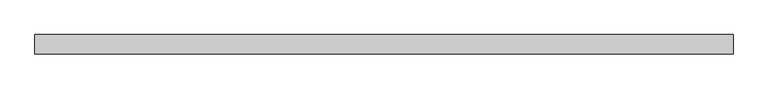
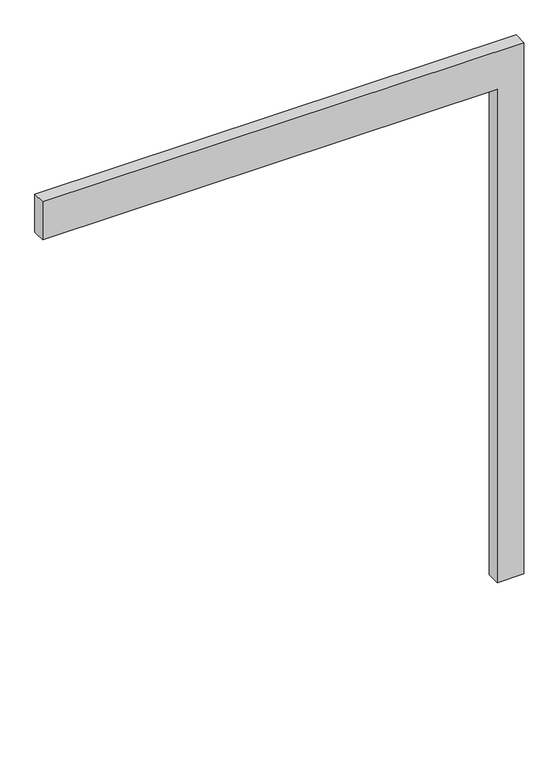
"""IFC4 building model written with IfcOpenShell, lengths in millimetres: proxy geometry."""

from ifc_helpers import new_model, si_unit, frame, origin, place, context, project, spatial, polyline, outline, extrude, source, transform, mapped, element, save


def generic_models_9ff019d2(model_context):
    return source(origin(), model_context, "Body", "SweptSolid", [
        extrude(outline(polyline([(1950.0, -1700.0), (1950.0, 0.0), (0.0, 0.0), (0.0, 100.0), (2100.0, 100.0), (2100.0, -1700.0), (1950.0, -1700.0)])), frame((0.0, -50.0, 0.0), z_axis=(0.0, 1.0, 0.0), x_axis=(0.0, 0.0, 1.0)), (0.0, 0.0, 1.0), 50.0),
    ])


if __name__ == "__main__":
    model = new_model("IFC4")
    model_context = context("Model", 3, world=origin())
    ifc_project = project(units=[si_unit("LENGTHUNIT", "METRE", prefix="MILLI")], contexts=[model_context])
    site = spatial("IfcSite", under=ifc_project)
    building = spatial("IfcBuilding", under=site)
    placement = place(None, origin())
    generic_models_shape = generic_models_9ff019d2(model_context)
    element("IfcBuildingElementProxy", 1, Name="Generic Models", at=placement, inside=building, context=model_context, shape_type="MappedRepresentation", body=[
        mapped(generic_models_shape, transform((0.0, 0.0, 0.0), x_axis=(1.0, 0.0, 0.0), y_axis=(0.0, 1.0, 0.0), z_axis=(0.0, 0.0, 1.0))),
    ])
    save(model, "model.ifc")
